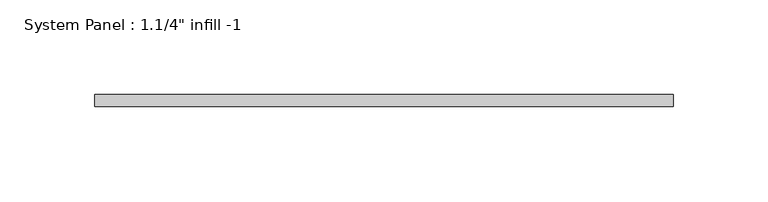
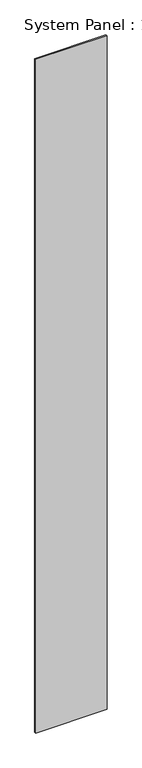
"""IFC4 building model written with IfcOpenShell, lengths in millimetres: plate geometry."""

from ifc_helpers import new_model, si_unit, origin, origin_with_axes, place, context, project, spatial, polyline, outline, extrude, source, transform, mapped, element, save


def plate_73f2b987(model_context):
    return source(origin(), model_context, "Body", "SweptSolid", [
        extrude(outline(polyline([(152.7283487, -6.35), (-152.7283487, -6.35), (-152.7283487, 0.0), (152.7283487, 0.0), (152.7283487, -6.35)])), origin_with_axes(), (0.0, 0.0, 1.0), 3048.0),
    ])


if __name__ == "__main__":
    model = new_model("IFC4")
    model_context = context("Model", 3, world=origin())
    ifc_project = project(units=[si_unit("LENGTHUNIT", "METRE", prefix="MILLI")], contexts=[model_context])
    site = spatial("IfcSite", under=ifc_project)
    building = spatial("IfcBuilding", under=site)
    placement = place(None, origin())
    plate_shape = plate_73f2b987(model_context)
    element("IfcPlate", 1, ObjectType="System Panel : 1.1/4\" infill -1", at=placement, inside=building, context=model_context, shape_type="MappedRepresentation", body=[
        mapped(plate_shape, transform((0.0, 0.0, 0.0), x_axis=(1.0, 0.0, 0.0), y_axis=(0.0, 1.0, 0.0), z_axis=(0.0, 0.0, 1.0))),
    ])
    save(model, "model.ifc")
